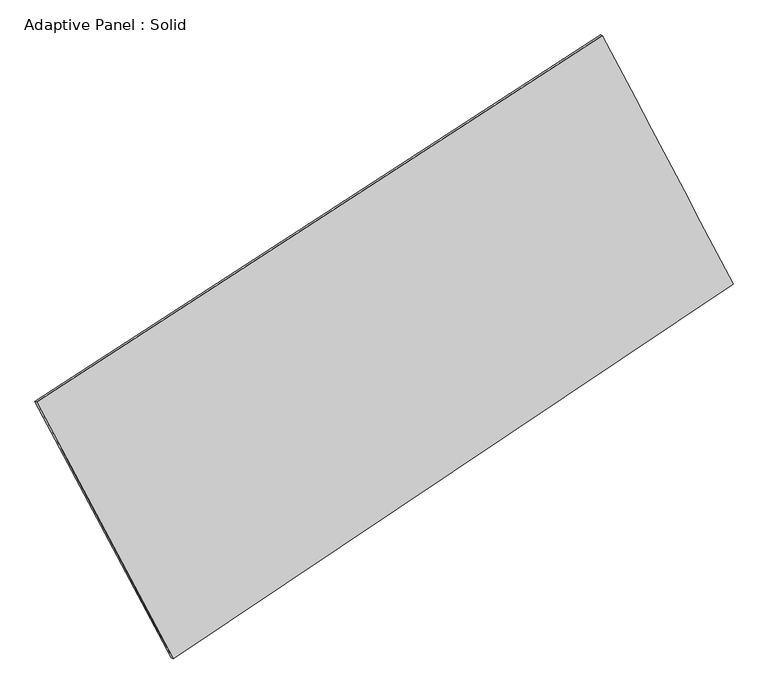
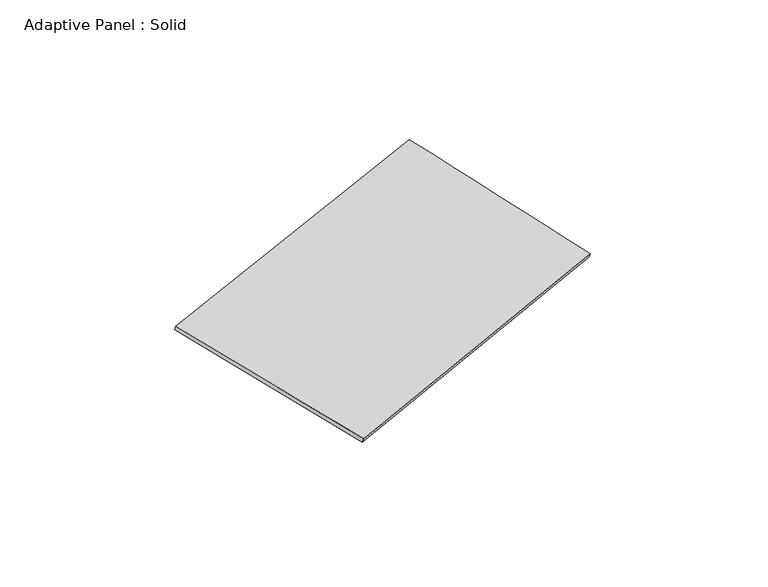
"""IFC4 building model written with IfcOpenShell, lengths in millimetres: plate geometry, Adaptive Panel : Solid."""

from ifc_helpers import new_model, si_unit, frame, origin, place, context, project, spatial, source, transform, mapped, element, save
from ifc_brep_helpers import plane_surface, spline_surface, advanced_brep


def adaptive_panel_solid_81c65001(model_context):
    return source(origin(), model_context, "Body", "AdvancedBrep", [
        advanced_brep(
        [(1208.2289749, 2564.1735543, 672.3732284), (-3659.1185174, -590.5807613, 1719.2395438), (-3644.4521616, -596.9608548, 1766.6124519), (1222.8953307, 2557.7934608, 719.7461364), (-2485.3893791, -2800.5980216, 1092.864498), (-2470.7230232, -2806.978115, 1140.237406), (2332.9883435, 426.7566557, 0.64525), (2347.6546993, 420.3765623, 48.018158)],
        [
            (0, 1),
            (1, 2),
            (2, 3),
            (3, 0),
            (1, 4),
            (4, 5),
            (5, 2),
            (4, 6),
            (6, 7),
            (7, 5),
            (6, 0),
            (3, 7),
        ],
        [
            plane_surface(frame((-1225.4447713, 986.7963965, 1195.8063861), z_axis=(-0.4844674892077823, 0.8345340987223963, 0.26238157322934363), x_axis=(-0.8258111155633145, -0.5352465968077428, 0.17761498252626082))),
            plane_surface(frame((-3072.2539482, -1695.5893914, 1406.0520209), z_axis=(-0.8427779383257425, -0.5023700998806175, 0.19326052213876888), x_axis=(0.4550102695493649, -0.8567398699256882, -0.242821848037464))),
            plane_surface(frame((-76.2005178, -1186.9206829, 546.754874), z_axis=(0.49454409325937543, -0.8278944783494971, -0.26460701528998953), x_axis=(0.816492136145843, 0.5468873272924327, -0.18508063880086995))),
            plane_surface(frame((1770.6086592, 1495.465105, 336.5092392), z_axis=(0.8420627441199391, 0.5037226773643326, -0.1928569399168892), x_axis=(-0.44865452606640305, 0.8525928232988674, 0.26794513225546307))),
            spline_surface(1, 1, [[(-3644.4521616, -596.9608548, 1766.6124519), (1222.8953307, 2557.7934608, 719.7461364)], [(-2470.7230232, -2806.978115, 1140.237406), (2347.6546993, 420.3765623, 48.018158)]], [2, 2], [2, 2], [0.0, 1.0], [0.0, 1.0]),
            spline_surface(1, 1, [[(2332.9883435, 426.7566557, 0.64525), (1208.2289749, 2564.1735543, 672.3732284)], [(-2485.3893791, -2800.5980216, 1092.864498), (-3659.1185174, -590.5807613, 1719.2395438)]], [2, 2], [2, 2], [0.0, 1.0], [0.0, 1.0]),
        ],
        [
            (0, [[1, 2, 3, 4]]),
            (1, [[5, 6, 7, -2]]),
            (2, [[8, 9, 10, -6]]),
            (3, [[11, -4, 12, -9]]),
            (4, [[-3, -7, -10, -12]]),
            (5, [[-11, -8, -5, -1]]),
        ],
    ),
    ])


if __name__ == "__main__":
    model = new_model("IFC4")
    model_context = context("Model", 3, world=origin())
    ifc_project = project(units=[si_unit("LENGTHUNIT", "METRE", prefix="MILLI")], contexts=[model_context])
    site = spatial("IfcSite", under=ifc_project)
    building = spatial("IfcBuilding", under=site)
    placement = place(None, origin())
    adaptive_panel_solid_shape = adaptive_panel_solid_81c65001(model_context)
    element("IfcPlate", 1, ObjectType="Adaptive Panel : Solid", at=placement, inside=building, context=model_context, shape_type="MappedRepresentation", body=[
        mapped(adaptive_panel_solid_shape, transform((0.0, 0.0, 0.0), x_axis=(1.0, 0.0, 0.0), y_axis=(0.0, 1.0, 0.0), z_axis=(0.0, 0.0, 1.0))),
    ])
    save(model, "model.ifc")
